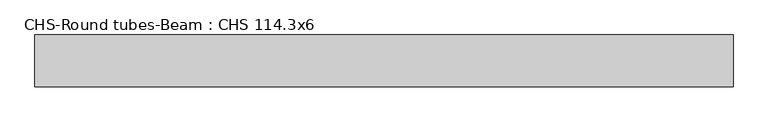
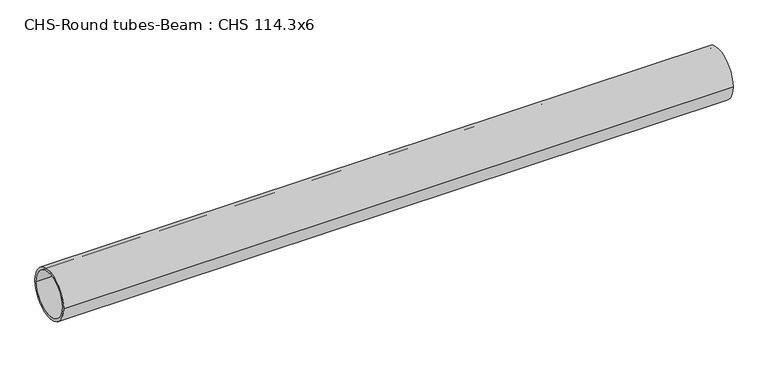
"""IFC4 building model written with IfcOpenShell, lengths in millimetres: beam geometry, CHS-Round tubes-Beam : CHS 114.3x6."""

from ifc_helpers import new_model, si_unit, point, frame, origin, origin_2d, place, context, project, spatial, circle_curve, trimmed, segment, composite_curve, outline, extrude, source, transform, mapped, element, save


def chs_round_tubes_beam_chs_114_3x6_d9ab35c4(model_context):
    return source(origin(), model_context, "Body", "SweptSolid", [
        extrude(outline(composite_curve([segment(trimmed(circle_curve(origin_2d(), 57.15), [point((57.15, 0.0))], [point((-57.15, 0.0))], False, "CARTESIAN"), True, "CONTINUOUS"), segment(trimmed(circle_curve(origin_2d(), 57.15), [point((-57.15, 0.0))], [point((57.15, 0.0))], False, "CARTESIAN"), True, "CONTINUOUS")], self_intersect=False), holes=[composite_curve([segment(trimmed(circle_curve(origin_2d(), 51.15), [point((51.15, 0.0))], [point((-51.15, 0.0))], True, "CARTESIAN"), True, "CONTINUOUS"), segment(trimmed(circle_curve(origin_2d(), 51.15), [point((-51.15, 0.0))], [point((51.15, 0.0))], True, "CARTESIAN"), True, "CONTINUOUS")], self_intersect=False)]), frame((-759.511962, 0.0, 0.0), z_axis=(1.0, 0.0, 0.0), x_axis=(0.0, 1.0, 0.0)), (0.0, 0.0, 1.0), 1540.9894187),
    ])


if __name__ == "__main__":
    model = new_model("IFC4")
    model_context = context("Model", 3, world=origin())
    ifc_project = project(units=[si_unit("LENGTHUNIT", "METRE", prefix="MILLI")], contexts=[model_context])
    site = spatial("IfcSite", under=ifc_project)
    building = spatial("IfcBuilding", under=site)
    placement = place(None, origin())
    chs_round_tubes_beam_chs_114_3x6_shape = chs_round_tubes_beam_chs_114_3x6_d9ab35c4(model_context)
    element("IfcBeam", 1, ObjectType="CHS-Round tubes-Beam : CHS 114.3x6", at=placement, inside=building, context=model_context, shape_type="MappedRepresentation", body=[
        mapped(chs_round_tubes_beam_chs_114_3x6_shape, transform((0.0, 0.0, 0.0), x_axis=(1.0, 0.0, 0.0), y_axis=(0.0, 1.0, 0.0), z_axis=(0.0, 0.0, 1.0))),
    ])
    save(model, "model.ifc")
